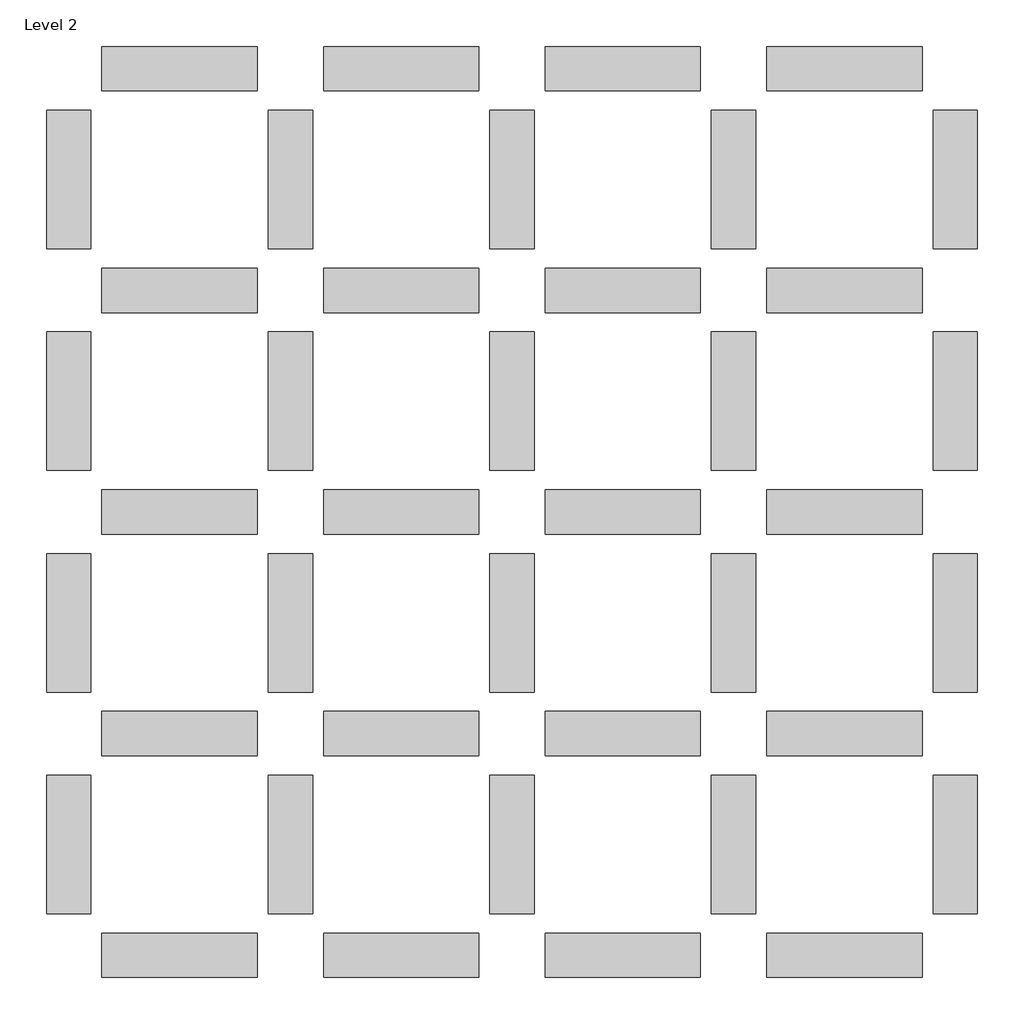
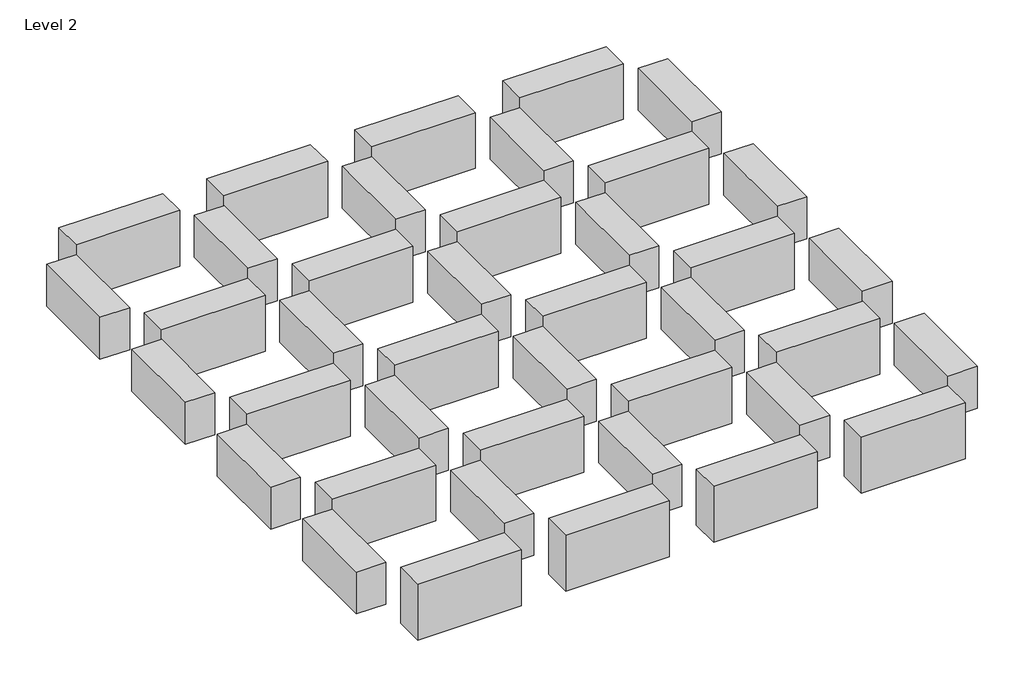
# One storey: 40 beams.
"""IFC4 building model written with IfcOpenShell, lengths in millimetres."""

from ifc_helpers import new_model, si_unit, frame, origin, place, context, project, spatial, polyline, outline, extrude, element, save

model = new_model("IFC4")

# Units and contexts
model_context = context("Model", 3, world=origin())
ifc_project = project(units=[si_unit("LENGTHUNIT", "METRE", prefix="MILLI")], contexts=[model_context])

# Site, building, storey
site = spatial("IfcSite", under=ifc_project)
building = spatial("IfcBuilding", under=site)
storey = spatial("IfcBuildingStorey", under=building, Name="Level 2", Elevation=3000.0)

# Beams
placement = place(None, origin())
element("IfcBeam", 1, ObjectType="M_Concrete-Rectangular Beam : 300 x 600mm", at=placement, inside=storey, context=model_context, shape_type="SweptSolid", body=[
    extrude(outline(polyline([(100.0, 2000.0), (500.0, 2000.0), (500.0, 750.0), (100.0, 750.0), (100.0, 2000.0)])), frame((0.0, 0.0, 2400.0), z_axis=(0.0, 0.0, 1.0), x_axis=(1.0, 0.0, 0.0)), (0.0, 0.0, 1.0), 600.0),
])
element("IfcBeam", 2, ObjectType="M_Concrete-Rectangular Beam : 300 x 600mm", at=placement, inside=storey, context=model_context, shape_type="SweptSolid", body=[
    extrude(outline(polyline([(100.0, 2750.0), (100.0, 4000.0), (500.0, 4000.0), (500.0, 2750.0), (100.0, 2750.0)])), frame((0.0, 0.0, 2400.0), z_axis=(0.0, 0.0, 1.0), x_axis=(1.0, 0.0, 0.0)), (0.0, 0.0, 1.0), 600.0),
])
element("IfcBeam", 3, ObjectType="M_Concrete-Rectangular Beam : 300 x 600mm", at=placement, inside=storey, context=model_context, shape_type="SweptSolid", body=[
    extrude(outline(polyline([(100.0, 6000.0), (500.0, 6000.0), (500.0, 4750.0), (100.0, 4750.0), (100.0, 6000.0)])), frame((0.0, 0.0, 2400.0), z_axis=(0.0, 0.0, 1.0), x_axis=(1.0, 0.0, 0.0)), (0.0, 0.0, 1.0), 600.0),
])
element("IfcBeam", 4, ObjectType="M_Concrete-Rectangular Beam : 300 x 600mm", at=placement, inside=storey, context=model_context, shape_type="SweptSolid", body=[
    extrude(outline(polyline([(100.0, 6750.0), (100.0, 8000.0), (500.0, 8000.0), (500.0, 6750.0), (100.0, 6750.0)])), frame((0.0, 0.0, 2400.0), z_axis=(0.0, 0.0, 1.0), x_axis=(1.0, 0.0, 0.0)), (0.0, 0.0, 1.0), 600.0),
])
element("IfcBeam", 5, ObjectType="M_Concrete-Rectangular Beam : 300 x 600mm", at=placement, inside=storey, context=model_context, shape_type="SweptSolid", body=[
    extrude(outline(polyline([(2100.0, 2000.0), (2500.0, 2000.0), (2500.0, 750.0), (2100.0, 750.0), (2100.0, 2000.0)])), frame((0.0, 0.0, 2400.0), z_axis=(0.0, 0.0, 1.0), x_axis=(1.0, 0.0, 0.0)), (0.0, 0.0, 1.0), 600.0),
])
element("IfcBeam", 6, ObjectType="M_Concrete-Rectangular Beam : 300 x 600mm", at=placement, inside=storey, context=model_context, shape_type="SweptSolid", body=[
    extrude(outline(polyline([(2100.0, 2750.0), (2100.0, 4000.0), (2500.0, 4000.0), (2500.0, 2750.0), (2100.0, 2750.0)])), frame((0.0, 0.0, 2400.0), z_axis=(0.0, 0.0, 1.0), x_axis=(1.0, 0.0, 0.0)), (0.0, 0.0, 1.0), 600.0),
])
element("IfcBeam", 7, ObjectType="M_Concrete-Rectangular Beam : 300 x 600mm", at=placement, inside=storey, context=model_context, shape_type="SweptSolid", body=[
    extrude(outline(polyline([(2100.0, 6000.0), (2500.0, 6000.0), (2500.0, 4750.0), (2100.0, 4750.0), (2100.0, 6000.0)])), frame((0.0, 0.0, 2400.0), z_axis=(0.0, 0.0, 1.0), x_axis=(1.0, 0.0, 0.0)), (0.0, 0.0, 1.0), 600.0),
])
element("IfcBeam", 8, ObjectType="M_Concrete-Rectangular Beam : 300 x 600mm", at=placement, inside=storey, context=model_context, shape_type="SweptSolid", body=[
    extrude(outline(polyline([(2100.0, 6750.0), (2100.0, 8000.0), (2500.0, 8000.0), (2500.0, 6750.0), (2100.0, 6750.0)])), frame((0.0, 0.0, 2400.0), z_axis=(0.0, 0.0, 1.0), x_axis=(1.0, 0.0, 0.0)), (0.0, 0.0, 1.0), 600.0),
])
element("IfcBeam", 9, ObjectType="M_Concrete-Rectangular Beam : 300 x 600mm", at=placement, inside=storey, context=model_context, shape_type="SweptSolid", body=[
    extrude(outline(polyline([(6100.0, 2000.0), (6500.0, 2000.0), (6500.0, 750.0), (6100.0, 750.0), (6100.0, 2000.0)])), frame((0.0, 0.0, 2400.0), z_axis=(0.0, 0.0, 1.0), x_axis=(1.0, 0.0, 0.0)), (0.0, 0.0, 1.0), 600.0),
])
element("IfcBeam", 10, ObjectType="M_Concrete-Rectangular Beam : 300 x 600mm", at=placement, inside=storey, context=model_context, shape_type="SweptSolid", body=[
    extrude(outline(polyline([(6100.0, 2750.0), (6100.0, 4000.0), (6500.0, 4000.0), (6500.0, 2750.0), (6100.0, 2750.0)])), frame((0.0, 0.0, 2400.0), z_axis=(0.0, 0.0, 1.0), x_axis=(1.0, 0.0, 0.0)), (0.0, 0.0, 1.0), 600.0),
])
element("IfcBeam", 11, ObjectType="M_Concrete-Rectangular Beam : 300 x 600mm", at=placement, inside=storey, context=model_context, shape_type="SweptSolid", body=[
    extrude(outline(polyline([(6100.0, 6000.0), (6500.0, 6000.0), (6500.0, 4750.0), (6100.0, 4750.0), (6100.0, 6000.0)])), frame((0.0, 0.0, 2400.0), z_axis=(0.0, 0.0, 1.0), x_axis=(1.0, 0.0, 0.0)), (0.0, 0.0, 1.0), 600.0),
])
element("IfcBeam", 12, ObjectType="M_Concrete-Rectangular Beam : 300 x 600mm", at=placement, inside=storey, context=model_context, shape_type="SweptSolid", body=[
    extrude(outline(polyline([(6100.0, 6750.0), (6100.0, 8000.0), (6500.0, 8000.0), (6500.0, 6750.0), (6100.0, 6750.0)])), frame((0.0, 0.0, 2400.0), z_axis=(0.0, 0.0, 1.0), x_axis=(1.0, 0.0, 0.0)), (0.0, 0.0, 1.0), 600.0),
])
element("IfcBeam", 13, ObjectType="M_Concrete-Rectangular Beam : 300 x 600mm", at=placement, inside=storey, context=model_context, shape_type="SweptSolid", body=[
    extrude(outline(polyline([(4100.0, 2000.0), (4500.0, 2000.0), (4500.0, 750.0), (4100.0, 750.0), (4100.0, 2000.0)])), frame((0.0, 0.0, 2400.0), z_axis=(0.0, 0.0, 1.0), x_axis=(1.0, 0.0, 0.0)), (0.0, 0.0, 1.0), 600.0),
])
element("IfcBeam", 14, ObjectType="M_Concrete-Rectangular Beam : 300 x 600mm", at=placement, inside=storey, context=model_context, shape_type="SweptSolid", body=[
    extrude(outline(polyline([(4100.0, 2750.0), (4100.0, 4000.0), (4500.0, 4000.0), (4500.0, 2750.0), (4100.0, 2750.0)])), frame((0.0, 0.0, 2400.0), z_axis=(0.0, 0.0, 1.0), x_axis=(1.0, 0.0, 0.0)), (0.0, 0.0, 1.0), 600.0),
])
element("IfcBeam", 15, ObjectType="M_Concrete-Rectangular Beam : 300 x 600mm", at=placement, inside=storey, context=model_context, shape_type="SweptSolid", body=[
    extrude(outline(polyline([(4100.0, 6000.0), (4500.0, 6000.0), (4500.0, 4750.0), (4100.0, 4750.0), (4100.0, 6000.0)])), frame((0.0, 0.0, 2400.0), z_axis=(0.0, 0.0, 1.0), x_axis=(1.0, 0.0, 0.0)), (0.0, 0.0, 1.0), 600.0),
])
element("IfcBeam", 16, ObjectType="M_Concrete-Rectangular Beam : 300 x 600mm", at=placement, inside=storey, context=model_context, shape_type="SweptSolid", body=[
    extrude(outline(polyline([(4100.0, 6750.0), (4100.0, 8000.0), (4500.0, 8000.0), (4500.0, 6750.0), (4100.0, 6750.0)])), frame((0.0, 0.0, 2400.0), z_axis=(0.0, 0.0, 1.0), x_axis=(1.0, 0.0, 0.0)), (0.0, 0.0, 1.0), 600.0),
])
element("IfcBeam", 17, ObjectType="M_Concrete-Rectangular Beam : 300 x 600mm", at=placement, inside=storey, context=model_context, shape_type="SweptSolid", body=[
    extrude(outline(polyline([(8100.0, 2000.0), (8500.0, 2000.0), (8500.0, 750.0), (8100.0, 750.0), (8100.0, 2000.0)])), frame((0.0, 0.0, 2400.0), z_axis=(0.0, 0.0, 1.0), x_axis=(1.0, 0.0, 0.0)), (0.0, 0.0, 1.0), 600.0),
])
element("IfcBeam", 18, ObjectType="M_Concrete-Rectangular Beam : 300 x 600mm", at=placement, inside=storey, context=model_context, shape_type="SweptSolid", body=[
    extrude(outline(polyline([(8100.0, 2750.0), (8100.0, 4000.0), (8500.0, 4000.0), (8500.0, 2750.0), (8100.0, 2750.0)])), frame((0.0, 0.0, 2400.0), z_axis=(0.0, 0.0, 1.0), x_axis=(1.0, 0.0, 0.0)), (0.0, 0.0, 1.0), 600.0),
])
element("IfcBeam", 19, ObjectType="M_Concrete-Rectangular Beam : 300 x 600mm", at=placement, inside=storey, context=model_context, shape_type="SweptSolid", body=[
    extrude(outline(polyline([(8100.0, 6000.0), (8500.0, 6000.0), (8500.0, 4750.0), (8100.0, 4750.0), (8100.0, 6000.0)])), frame((0.0, 0.0, 2400.0), z_axis=(0.0, 0.0, 1.0), x_axis=(1.0, 0.0, 0.0)), (0.0, 0.0, 1.0), 600.0),
])
element("IfcBeam", 20, ObjectType="M_Concrete-Rectangular Beam : 300 x 600mm", at=placement, inside=storey, context=model_context, shape_type="SweptSolid", body=[
    extrude(outline(polyline([(8100.0, 6750.0), (8100.0, 8000.0), (8500.0, 8000.0), (8500.0, 6750.0), (8100.0, 6750.0)])), frame((0.0, 0.0, 2400.0), z_axis=(0.0, 0.0, 1.0), x_axis=(1.0, 0.0, 0.0)), (0.0, 0.0, 1.0), 600.0),
])
element("IfcBeam", 21, ObjectType="M_Concrete-Rectangular Beam : 400 x 800mm", at=placement, inside=storey, context=model_context, shape_type="SweptSolid", body=[
    extrude(outline(polyline([(2000.0, 8575.0), (2000.0, 8175.0), (600.0, 8175.0), (600.0, 8575.0), (2000.0, 8575.0)])), frame((0.0, 0.0, 2200.0), z_axis=(0.0, 0.0, 1.0), x_axis=(1.0, 0.0, 0.0)), (0.0, 0.0, 1.0), 800.0),
])
element("IfcBeam", 22, ObjectType="M_Concrete-Rectangular Beam : 400 x 800mm", at=placement, inside=storey, context=model_context, shape_type="SweptSolid", body=[
    extrude(outline(polyline([(2600.0, 8575.0), (4000.0, 8575.0), (4000.0, 8175.0), (2600.0, 8175.0), (2600.0, 8575.0)])), frame((0.0, 0.0, 2200.0), z_axis=(0.0, 0.0, 1.0), x_axis=(1.0, 0.0, 0.0)), (0.0, 0.0, 1.0), 800.0),
])
element("IfcBeam", 23, ObjectType="M_Concrete-Rectangular Beam : 400 x 800mm", at=placement, inside=storey, context=model_context, shape_type="SweptSolid", body=[
    extrude(outline(polyline([(6000.0, 8575.0), (6000.0, 8175.0), (4600.0, 8175.0), (4600.0, 8575.0), (6000.0, 8575.0)])), frame((0.0, 0.0, 2200.0), z_axis=(0.0, 0.0, 1.0), x_axis=(1.0, 0.0, 0.0)), (0.0, 0.0, 1.0), 800.0),
])
element("IfcBeam", 24, ObjectType="M_Concrete-Rectangular Beam : 400 x 800mm", at=placement, inside=storey, context=model_context, shape_type="SweptSolid", body=[
    extrude(outline(polyline([(6600.0, 8575.0), (8000.0, 8575.0), (8000.0, 8175.0), (6600.0, 8175.0), (6600.0, 8575.0)])), frame((0.0, 0.0, 2200.0), z_axis=(0.0, 0.0, 1.0), x_axis=(1.0, 0.0, 0.0)), (0.0, 0.0, 1.0), 800.0),
])
element("IfcBeam", 25, ObjectType="M_Concrete-Rectangular Beam : 400 x 800mm", at=placement, inside=storey, context=model_context, shape_type="SweptSolid", body=[
    extrude(outline(polyline([(2000.0, 6575.0), (2000.0, 6175.0), (600.0, 6175.0), (600.0, 6575.0), (2000.0, 6575.0)])), frame((0.0, 0.0, 2200.0), z_axis=(0.0, 0.0, 1.0), x_axis=(1.0, 0.0, 0.0)), (0.0, 0.0, 1.0), 800.0),
])
element("IfcBeam", 26, ObjectType="M_Concrete-Rectangular Beam : 400 x 800mm", at=placement, inside=storey, context=model_context, shape_type="SweptSolid", body=[
    extrude(outline(polyline([(2600.0, 6575.0), (4000.0, 6575.0), (4000.0, 6175.0), (2600.0, 6175.0), (2600.0, 6575.0)])), frame((0.0, 0.0, 2200.0), z_axis=(0.0, 0.0, 1.0), x_axis=(1.0, 0.0, 0.0)), (0.0, 0.0, 1.0), 800.0),
])
element("IfcBeam", 27, ObjectType="M_Concrete-Rectangular Beam : 400 x 800mm", at=placement, inside=storey, context=model_context, shape_type="SweptSolid", body=[
    extrude(outline(polyline([(6000.0, 6575.0), (6000.0, 6175.0), (4600.0, 6175.0), (4600.0, 6575.0), (6000.0, 6575.0)])), frame((0.0, 0.0, 2200.0), z_axis=(0.0, 0.0, 1.0), x_axis=(1.0, 0.0, 0.0)), (0.0, 0.0, 1.0), 800.0),
])
element("IfcBeam", 28, ObjectType="M_Concrete-Rectangular Beam : 400 x 800mm", at=placement, inside=storey, context=model_context, shape_type="SweptSolid", body=[
    extrude(outline(polyline([(6600.0, 6575.0), (8000.0, 6575.0), (8000.0, 6175.0), (6600.0, 6175.0), (6600.0, 6575.0)])), frame((0.0, 0.0, 2200.0), z_axis=(0.0, 0.0, 1.0), x_axis=(1.0, 0.0, 0.0)), (0.0, 0.0, 1.0), 800.0),
])
element("IfcBeam", 29, ObjectType="M_Concrete-Rectangular Beam : 400 x 800mm", at=placement, inside=storey, context=model_context, shape_type="SweptSolid", body=[
    extrude(outline(polyline([(2000.0, 4575.0), (2000.0, 4175.0), (600.0, 4175.0), (600.0, 4575.0), (2000.0, 4575.0)])), frame((0.0, 0.0, 2200.0), z_axis=(0.0, 0.0, 1.0), x_axis=(1.0, 0.0, 0.0)), (0.0, 0.0, 1.0), 800.0),
])
element("IfcBeam", 30, ObjectType="M_Concrete-Rectangular Beam : 400 x 800mm", at=placement, inside=storey, context=model_context, shape_type="SweptSolid", body=[
    extrude(outline(polyline([(2600.0, 4575.0), (4000.0, 4575.0), (4000.0, 4175.0), (2600.0, 4175.0), (2600.0, 4575.0)])), frame((0.0, 0.0, 2200.0), z_axis=(0.0, 0.0, 1.0), x_axis=(1.0, 0.0, 0.0)), (0.0, 0.0, 1.0), 800.0),
])
element("IfcBeam", 31, ObjectType="M_Concrete-Rectangular Beam : 400 x 800mm", at=placement, inside=storey, context=model_context, shape_type="SweptSolid", body=[
    extrude(outline(polyline([(6000.0, 4575.0), (6000.0, 4175.0), (4600.0, 4175.0), (4600.0, 4575.0), (6000.0, 4575.0)])), frame((0.0, 0.0, 2200.0), z_axis=(0.0, 0.0, 1.0), x_axis=(1.0, 0.0, 0.0)), (0.0, 0.0, 1.0), 800.0),
])
element("IfcBeam", 32, ObjectType="M_Concrete-Rectangular Beam : 400 x 800mm", at=placement, inside=storey, context=model_context, shape_type="SweptSolid", body=[
    extrude(outline(polyline([(6600.0, 4575.0), (8000.0, 4575.0), (8000.0, 4175.0), (6600.0, 4175.0), (6600.0, 4575.0)])), frame((0.0, 0.0, 2200.0), z_axis=(0.0, 0.0, 1.0), x_axis=(1.0, 0.0, 0.0)), (0.0, 0.0, 1.0), 800.0),
])
element("IfcBeam", 33, ObjectType="M_Concrete-Rectangular Beam : 400 x 800mm", at=placement, inside=storey, context=model_context, shape_type="SweptSolid", body=[
    extrude(outline(polyline([(2000.0, 2575.0), (2000.0, 2175.0), (600.0, 2175.0), (600.0, 2575.0), (2000.0, 2575.0)])), frame((0.0, 0.0, 2200.0), z_axis=(0.0, 0.0, 1.0), x_axis=(1.0, 0.0, 0.0)), (0.0, 0.0, 1.0), 800.0),
])
element("IfcBeam", 34, ObjectType="M_Concrete-Rectangular Beam : 400 x 800mm", at=placement, inside=storey, context=model_context, shape_type="SweptSolid", body=[
    extrude(outline(polyline([(2600.0, 2575.0), (4000.0, 2575.0), (4000.0, 2175.0), (2600.0, 2175.0), (2600.0, 2575.0)])), frame((0.0, 0.0, 2200.0), z_axis=(0.0, 0.0, 1.0), x_axis=(1.0, 0.0, 0.0)), (0.0, 0.0, 1.0), 800.0),
])
element("IfcBeam", 35, ObjectType="M_Concrete-Rectangular Beam : 400 x 800mm", at=placement, inside=storey, context=model_context, shape_type="SweptSolid", body=[
    extrude(outline(polyline([(6000.0, 2575.0), (6000.0, 2175.0), (4600.0, 2175.0), (4600.0, 2575.0), (6000.0, 2575.0)])), frame((0.0, 0.0, 2200.0), z_axis=(0.0, 0.0, 1.0), x_axis=(1.0, 0.0, 0.0)), (0.0, 0.0, 1.0), 800.0),
])
element("IfcBeam", 36, ObjectType="M_Concrete-Rectangular Beam : 400 x 800mm", at=placement, inside=storey, context=model_context, shape_type="SweptSolid", body=[
    extrude(outline(polyline([(6600.0, 2575.0), (8000.0, 2575.0), (8000.0, 2175.0), (6600.0, 2175.0), (6600.0, 2575.0)])), frame((0.0, 0.0, 2200.0), z_axis=(0.0, 0.0, 1.0), x_axis=(1.0, 0.0, 0.0)), (0.0, 0.0, 1.0), 800.0),
])
element("IfcBeam", 37, ObjectType="M_Concrete-Rectangular Beam : 400 x 800mm", at=placement, inside=storey, context=model_context, shape_type="SweptSolid", body=[
    extrude(outline(polyline([(2000.0, 575.0), (2000.0, 175.0), (600.0, 175.0), (600.0, 575.0), (2000.0, 575.0)])), frame((0.0, 0.0, 2200.0), z_axis=(0.0, 0.0, 1.0), x_axis=(1.0, 0.0, 0.0)), (0.0, 0.0, 1.0), 800.0),
])
element("IfcBeam", 38, ObjectType="M_Concrete-Rectangular Beam : 400 x 800mm", at=placement, inside=storey, context=model_context, shape_type="SweptSolid", body=[
    extrude(outline(polyline([(2600.0, 575.0), (4000.0, 575.0), (4000.0, 175.0), (2600.0, 175.0), (2600.0, 575.0)])), frame((0.0, 0.0, 2200.0), z_axis=(0.0, 0.0, 1.0), x_axis=(1.0, 0.0, 0.0)), (0.0, 0.0, 1.0), 800.0),
])
element("IfcBeam", 39, ObjectType="M_Concrete-Rectangular Beam : 400 x 800mm", at=placement, inside=storey, context=model_context, shape_type="SweptSolid", body=[
    extrude(outline(polyline([(6000.0, 575.0), (6000.0, 175.0), (4600.0, 175.0), (4600.0, 575.0), (6000.0, 575.0)])), frame((0.0, 0.0, 2200.0), z_axis=(0.0, 0.0, 1.0), x_axis=(1.0, 0.0, 0.0)), (0.0, 0.0, 1.0), 800.0),
])
element("IfcBeam", 40, ObjectType="M_Concrete-Rectangular Beam : 400 x 800mm", at=placement, inside=storey, context=model_context, shape_type="SweptSolid", body=[
    extrude(outline(polyline([(6600.0, 575.0), (8000.0, 575.0), (8000.0, 175.0), (6600.0, 175.0), (6600.0, 575.0)])), frame((0.0, 0.0, 2200.0), z_axis=(0.0, 0.0, 1.0), x_axis=(1.0, 0.0, 0.0)), (0.0, 0.0, 1.0), 800.0),
])

save(model, "model.ifc")
